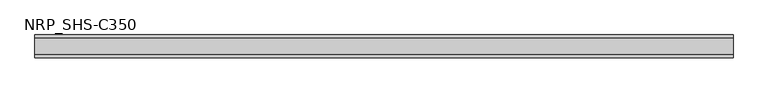
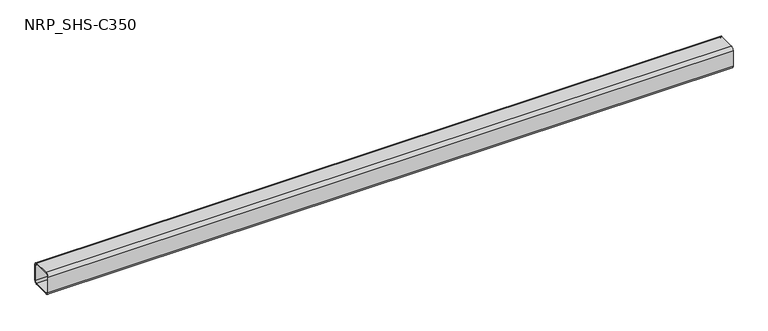
"""IFC4 building model written with IfcOpenShell, lengths in millimetres: member geometry, NRP_SHS-C350."""

import ifcopenshell
import ifcopenshell.guid

model = None  # the IFC model being written
_history = None  # IfcOwnerHistory: only IFC2X3 demands one
_inside = {}  # id of a spatial element -> (the spatial element, [elements in it])
_under = {}  # id of a project, library or spatial element -> (it, [spatial elements below it])
_declared = {}  # id of a project -> (the project, [libraries it declares])
_typed = {}  # id of a type object -> (the type object, [elements of that type])
_made_of = {}  # id of a material, layer set ... -> (it, [elements and type objects made of it])


def new_model(schema):
    """Start an empty IFC model of exactly this schema.

    Asked for "IFC4X3", IfcOpenShell would pick the latest addendum, in which some entities
    have other attributes; the version numbers below select the first issue.
    IFC2X3 requires an IfcOwnerHistory on every rooted entity: one is made here for all.
    """
    global model, _history
    if schema == "IFC4X3":
        model = ifcopenshell.file(schema_version=(4, 3, 0, 0))
    else:
        model = ifcopenshell.file(schema=schema)
    _inside.clear()
    _under.clear()
    _declared.clear()
    _typed.clear()
    _made_of.clear()
    _history = None
    if model.schema == "IFC2X3":
        org = make("IfcOrganization", Name="unknown")
        user = make(
            "IfcPersonAndOrganization",
            ThePerson=make("IfcPerson", FamilyName="unknown"),
            TheOrganization=org,
        )
        app = make(
            "IfcApplication",
            ApplicationDeveloper=org,
            Version="unknown",
            ApplicationFullName="unknown",
            ApplicationIdentifier="unknown",
        )
        _history = make(
            "IfcOwnerHistory",
            OwningUser=user,
            OwningApplication=app,
            ChangeAction="ADDED",
            CreationDate=0,
        )
    return model


def make(cls, **values):
    """One entity of the class cls with the attributes given. An attribute that is None is left unset."""
    return model.create_entity(
        cls, **{name: value for name, value in values.items() if value is not None}
    )


def rooted(cls, **values):
    """An entity with a GlobalId (a new one), such as an element, a storey or a relation."""
    return make(cls, GlobalId=ifcopenshell.guid.new(), OwnerHistory=_history, **values)


def si_unit(unit_type, name, prefix=None):
    """IfcSIUnit, for example si_unit("LENGTHUNIT", "METRE", prefix="MILLI")."""
    return make("IfcSIUnit", UnitType=unit_type, Prefix=prefix, Name=name)


def assignment(units):
    """IfcUnitAssignment: the units of a project."""
    return None if units is None else make("IfcUnitAssignment", Units=units)


def point(xyz):
    """IfcCartesianPoint."""
    return None if xyz is None else make("IfcCartesianPoint", Coordinates=xyz)


def direction(xyz):
    """IfcDirection."""
    return None if xyz is None else make("IfcDirection", DirectionRatios=xyz)


def frame(location, z_axis=None, x_axis=None):
    """IfcAxis2Placement3D, a coordinate frame: its origin and axes. An axis left out is left unset."""
    return make(
        "IfcAxis2Placement3D",
        Location=point(location),
        Axis=direction(z_axis),
        RefDirection=direction(x_axis),
    )


def frame_2d(location, x_axis=None):
    """IfcAxis2Placement2D, a coordinate frame in the plane: its origin and x axis."""
    return make(
        "IfcAxis2Placement2D", Location=point(location), RefDirection=direction(x_axis)
    )


def origin():
    """The frame at (0, 0, 0) with its axes left unset."""
    return frame((0.0, 0.0, 0.0))


def place(relative_to, where):
    """IfcLocalPlacement: puts the frame where relative to a parent placement (None: the world)."""
    return make(
        "IfcLocalPlacement", PlacementRelTo=relative_to, RelativePlacement=where
    )


def context(
    kind, dimensions, precision=None, world=None, true_north=None, identifier=None
):
    """IfcGeometricRepresentationContext, for example the 3D "Model" context."""
    return make(
        "IfcGeometricRepresentationContext",
        ContextIdentifier=identifier,
        ContextType=kind,
        CoordinateSpaceDimension=dimensions,
        Precision=precision,
        WorldCoordinateSystem=world,
        TrueNorth=true_north,
    )


def project(units=None, contexts=None):
    """IfcProject with its units and contexts."""
    return rooted(
        "IfcProject",
        Name="project",
        RepresentationContexts=contexts,
        UnitsInContext=assignment(units),
    )


def spatial(cls, under=None, at=None, **own):
    """A site, building, storey or space (cls), placed at a placement, below another one or the project."""
    s = rooted(cls, ObjectPlacement=at, **own)
    if under is not None:
        _under.setdefault(under.id(), (under, []))[1].append(s)
    return s


def polyline(points):
    """IfcPolyline through the points."""
    return make("IfcPolyline", Points=[point(p) for p in points])


def circle_curve(where, radius):
    """IfcCircle in the frame where."""
    return make("IfcCircle", Position=where, Radius=radius)


def trimmed(basis, trim1, trim2, sense, master):
    """IfcTrimmedCurve: the piece of a basis curve between two trims."""
    return make(
        "IfcTrimmedCurve",
        BasisCurve=basis,
        Trim1=trim1,
        Trim2=trim2,
        SenseAgreement=sense,
        MasterRepresentation=master,
    )


def segment(curve, same_sense, transition):
    """IfcCompositeCurveSegment."""
    return make(
        "IfcCompositeCurveSegment",
        Transition=transition,
        SameSense=same_sense,
        ParentCurve=curve,
    )


def composite_curve(segments, self_intersect=None):
    """IfcCompositeCurve: segments joined end to end."""
    return make("IfcCompositeCurve", Segments=segments, SelfIntersect=self_intersect)


def outline(outer, holes=None, kind="AREA"):
    """IfcArbitraryClosedProfileDef: a profile drawn as a closed curve; with holes, ...WithVoids."""
    if holes is None:
        return make("IfcArbitraryClosedProfileDef", ProfileType=kind, OuterCurve=outer)
    return make(
        "IfcArbitraryProfileDefWithVoids",
        ProfileType=kind,
        OuterCurve=outer,
        InnerCurves=holes,
    )


def extrude(swept, where, along, depth):
    """IfcExtrudedAreaSolid: the profile swept, set in the frame where, extruded along a direction by depth."""
    return make(
        "IfcExtrudedAreaSolid",
        SweptArea=swept,
        Position=where,
        ExtrudedDirection=direction(along),
        Depth=depth,
    )


def shape(context_of_items, identifier, shape_type, items):
    """IfcShapeRepresentation: the items that make up one representation, for example the "Body"."""
    return make(
        "IfcShapeRepresentation",
        ContextOfItems=context_of_items,
        RepresentationIdentifier=identifier,
        RepresentationType=shape_type,
        Items=items,
    )


def source(mapping_origin, context_of_items, identifier, shape_type, items):
    """IfcRepresentationMap: a shape defined once, which mapped items show again and again."""
    return make(
        "IfcRepresentationMap",
        MappingOrigin=mapping_origin,
        MappedRepresentation=shape(context_of_items, identifier, shape_type, items),
    )


def transform(
    local_origin,
    x_axis=None,
    y_axis=None,
    z_axis=None,
    scale=None,
    scale2=None,
    scale3=None,
    uniform=True,
):
    """IfcCartesianTransformationOperator3D, or its non-uniform kind. x_axis, y_axis, z_axis: its Axis1, 2, 3."""
    if uniform:
        return make(
            "IfcCartesianTransformationOperator3D",
            Axis1=direction(x_axis),
            Axis2=direction(y_axis),
            LocalOrigin=point(local_origin),
            Scale=scale,
            Axis3=direction(z_axis),
        )
    return make(
        "IfcCartesianTransformationOperator3DnonUniform",
        Axis1=direction(x_axis),
        Axis2=direction(y_axis),
        LocalOrigin=point(local_origin),
        Scale=scale,
        Axis3=direction(z_axis),
        Scale2=scale2,
        Scale3=scale3,
    )


def mapped(mapping_source, mapping_target):
    """IfcMappedItem: shows the shape of a source again, moved by a transform."""
    return make(
        "IfcMappedItem", MappingSource=mapping_source, MappingTarget=mapping_target
    )


def made_of(thing, what):
    """Note that an element or type object is made of a material, layer set ...; save() writes the relation."""
    if what is not None:
        _made_of.setdefault(what.id(), (what, []))[1].append(thing)
    return thing


def element(
    cls,
    number,
    at=None,
    inside=None,
    cuts=None,
    type_object=None,
    material=None,
    context=None,
    identifier="Body",
    shape_type=None,
    held_by="IfcProductDefinitionShape",
    body=None,
    shapes=None,
    **own,
):
    """One element of the class cls, such as IfcWall. Its Tag is "e" and its number.

    at: its placement. inside: the storey or other place that contains it. cuts: it is an
    opening in that element (IfcRelVoidsElement). A single representation is given by context,
    identifier, shape_type and body (its items); several are given by shapes. held_by: the class
    of the entity that holds the representations. save() writes the other relations.
    """
    e = rooted(cls, Tag="e%d" % number, ObjectPlacement=at, **own)
    if body is not None:
        shapes = [shape(context, identifier, shape_type, body)]
    if shapes is not None:
        e.Representation = make(held_by, Representations=shapes)
    if inside is not None:
        _inside.setdefault(inside.id(), (inside, []))[1].append(e)
    if cuts is not None:
        rooted(
            "IfcRelVoidsElement", RelatingBuildingElement=cuts, RelatedOpeningElement=e
        )
    if type_object is not None:
        _typed.setdefault(type_object.id(), (type_object, []))[1].append(e)
    return made_of(e, material)


def aggregate(whole, parts):
    """IfcRelAggregates: a whole, such as a stair, and the parts it consists of."""
    return rooted("IfcRelAggregates", RelatingObject=whole, RelatedObjects=parts)


def save(model, path):
    """Write the relations noted so far, then the file.

    IfcRelAggregates (storeys below a building ...), IfcRelContainedInSpatialStructure (elements
    in a storey), IfcRelDefinesByType, IfcRelAssociatesMaterial and IfcRelDeclares: one each for
    every whole, place, type object, material and project.
    """
    for whole, parts in _under.values():
        aggregate(whole, parts)
    for where, things in _inside.values():
        rooted(
            "IfcRelContainedInSpatialStructure",
            RelatedElements=things,
            RelatingStructure=where,
        )
    for kind, things in _typed.values():
        rooted("IfcRelDefinesByType", RelatedObjects=things, RelatingType=kind)
    for what, things in _made_of.values():
        rooted("IfcRelAssociatesMaterial", RelatedObjects=things, RelatingMaterial=what)
    for by, libraries in _declared.values():
        rooted("IfcRelDeclares", RelatingContext=by, RelatedDefinitions=libraries)
    model.write(path)


def nrp_shs_c350_2bab5505(model_context):
    return source(origin(), model_context, "Body", "SweptSolid", [
        extrude(outline(composite_curve([segment(trimmed(circle_curve(frame_2d((-32.0, 32.0)), 12.5), [point((-44.5, 32.0))], [point((-32.0, 44.5))], False, "CARTESIAN"), True, "CONTINUOUS"), segment(polyline([(-32.0, 44.5), (32.0, 44.5)]), True, "CONTINUOUS"), segment(trimmed(circle_curve(frame_2d((32.0, 32.0)), 12.5), [point((32.0, 44.5))], [point((44.5, 32.0))], False, "CARTESIAN"), True, "CONTINUOUS"), segment(polyline([(44.5, 32.0), (44.5, -32.0)]), True, "CONTINUOUS"), segment(trimmed(circle_curve(frame_2d((32.0, -32.0)), 12.5), [point((44.5, -32.0))], [point((32.0, -44.5))], False, "CARTESIAN"), True, "CONTINUOUS"), segment(polyline([(32.0, -44.5), (-32.0, -44.5)]), True, "CONTINUOUS"), segment(trimmed(circle_curve(frame_2d((-32.0, -32.0)), 12.5), [point((-32.0, -44.5))], [point((-44.5, -32.0))], False, "CARTESIAN"), True, "CONTINUOUS"), segment(polyline([(-44.5, -32.0), (-44.5, 32.0)]), True, "CONTINUOUS")], self_intersect=False), holes=[composite_curve([segment(polyline([(32.0, 39.5), (-32.0, 39.5)]), True, "CONTINUOUS"), segment(trimmed(circle_curve(frame_2d((-32.0, 32.0)), 7.5), [point((-32.0, 39.5))], [point((-39.5, 32.0))], True, "CARTESIAN"), True, "CONTINUOUS"), segment(polyline([(-39.5, 32.0), (-39.5, -32.0)]), True, "CONTINUOUS"), segment(trimmed(circle_curve(frame_2d((-32.0, -32.0)), 7.5), [point((-39.5, -32.0))], [point((-32.0, -39.5))], True, "CARTESIAN"), True, "CONTINUOUS"), segment(polyline([(-32.0, -39.5), (32.0, -39.5)]), True, "CONTINUOUS"), segment(trimmed(circle_curve(frame_2d((32.0, -32.0)), 7.5), [point((32.0, -39.5))], [point((39.5, -32.0))], True, "CARTESIAN"), True, "CONTINUOUS"), segment(polyline([(39.5, -32.0), (39.5, 32.0)]), True, "CONTINUOUS"), segment(trimmed(circle_curve(frame_2d((32.0, 32.0)), 7.5), [point((39.5, 32.0))], [point((32.0, 39.5))], True, "CARTESIAN"), True, "CONTINUOUS")], self_intersect=False)]), frame((-1322.0, 0.0, 0.0), z_axis=(1.0, 0.0, 0.0), x_axis=(0.0, 1.0, 0.0)), (0.0, 0.0, 1.0), 2699.0),
    ])


if __name__ == "__main__":
    model = new_model("IFC4")
    model_context = context("Model", 3, world=origin())
    ifc_project = project(units=[si_unit("LENGTHUNIT", "METRE", prefix="MILLI")], contexts=[model_context])
    site = spatial("IfcSite", under=ifc_project)
    building = spatial("IfcBuilding", under=site)
    placement = place(None, origin())
    nrp_shs_c350_shape = nrp_shs_c350_2bab5505(model_context)
    element("IfcMember", 1, ObjectType="NRP_SHS-C350", at=placement, inside=building, context=model_context, shape_type="MappedRepresentation", body=[
        mapped(nrp_shs_c350_shape, transform((0.0, 0.0, 0.0), x_axis=(1.0, 0.0, 0.0), y_axis=(0.0, 1.0, 0.0), z_axis=(0.0, 0.0, 1.0))),
    ])
    save(model, "model.ifc")
